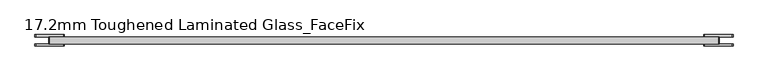
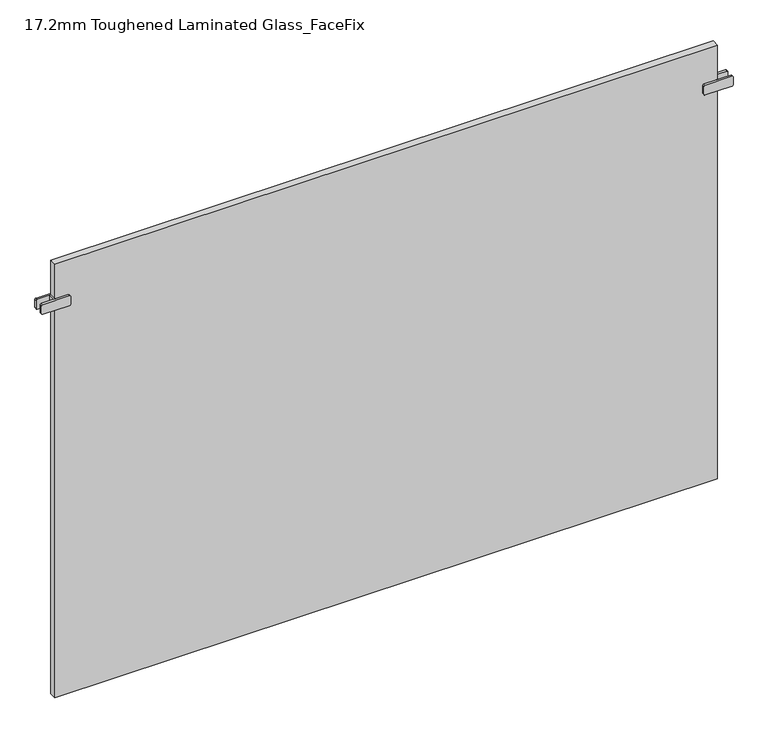
"""IFC4 building model written with IfcOpenShell, lengths in millimetres: plate geometry, 17.2mm Toughened Laminated Glass_FaceFix."""

from ifc_helpers import new_model, si_unit, point, frame, frame_2d, origin, origin_with_axes, place, context, project, spatial, polyline, circle_curve, trimmed, segment, composite_curve, outline, extrude, source, transform, mapped, element, save


def plate_17_2mm_toughened_laminated_glass_facefix_f9d593f6(model_context):
    return source(origin(), model_context, "Body", "SweptSolid", [
        extrude(outline(polyline([(-797.5000001, -40.6), (-797.5000001, -23.4), (-792.5000001, -23.4), (-792.5000001, -40.6), (-797.5000001, -40.6)])), frame((0.0, 0.0, 987.5), z_axis=(0.0, 0.0, 1.0), x_axis=(1.0, 0.0, 0.0)), (0.0, 0.0, 1.0), 25.0),
        extrude(outline(composite_curve([segment(trimmed(circle_curve(frame_2d((990.5, -763.0000001)), 3.0), [point((987.5, -763.0000001))], [point((990.5, -760.0000001))], False, "CARTESIAN"), True, "CONTINUOUS"), segment(polyline([(990.5, -760.0000001), (1009.5, -760.0000001)]), True, "CONTINUOUS"), segment(trimmed(circle_curve(frame_2d((1009.5, -763.0000001)), 3.0), [point((1009.5, -760.0000001))], [point((1012.5, -763.0000001))], False, "CARTESIAN"), True, "CONTINUOUS"), segment(polyline([(1012.5, -763.0000001), (1012.5, -827.0000001)]), True, "CONTINUOUS"), segment(trimmed(circle_curve(frame_2d((1009.5, -827.0000001)), 3.0), [point((1012.5, -827.0000001))], [point((1009.5, -830.0000001))], False, "CARTESIAN"), True, "CONTINUOUS"), segment(polyline([(1009.5, -830.0000001), (990.5, -830.0000001)]), True, "CONTINUOUS"), segment(trimmed(circle_curve(frame_2d((990.5, -827.0000001)), 3.0), [point((990.5, -830.0000001))], [point((987.5, -827.0000001))], False, "CARTESIAN"), True, "CONTINUOUS"), segment(polyline([(987.5, -827.0000001), (987.5, -763.0000001)]), True, "CONTINUOUS")], self_intersect=False)), frame((0.0, -23.4, 0.0), z_axis=(0.0, 1.0, 0.0), x_axis=(0.0, 0.0, 1.0)), (0.0, 0.0, 1.0), 5.0),
        extrude(outline(composite_curve([segment(trimmed(circle_curve(frame_2d((990.5, -763.0000001)), 3.0), [point((987.5, -763.0000001))], [point((990.5, -760.0000001))], False, "CARTESIAN"), True, "CONTINUOUS"), segment(polyline([(990.5, -760.0000001), (1009.5, -760.0000001)]), True, "CONTINUOUS"), segment(trimmed(circle_curve(frame_2d((1009.5, -763.0000001)), 3.0), [point((1009.5, -760.0000001))], [point((1012.5, -763.0000001))], False, "CARTESIAN"), True, "CONTINUOUS"), segment(polyline([(1012.5, -763.0000001), (1012.5, -827.0000001)]), True, "CONTINUOUS"), segment(trimmed(circle_curve(frame_2d((1009.5, -827.0000001)), 3.0), [point((1012.5, -827.0000001))], [point((1009.5, -830.0000001))], False, "CARTESIAN"), True, "CONTINUOUS"), segment(polyline([(1009.5, -830.0000001), (990.5, -830.0000001)]), True, "CONTINUOUS"), segment(trimmed(circle_curve(frame_2d((990.5, -827.0000001)), 3.0), [point((990.5, -830.0000001))], [point((987.5, -827.0000001))], False, "CARTESIAN"), True, "CONTINUOUS"), segment(polyline([(987.5, -827.0000001), (987.5, -763.0000001)]), True, "CONTINUOUS")], self_intersect=False)), frame((0.0, -45.6, 0.0), z_axis=(0.0, 1.0, 0.0), x_axis=(0.0, 0.0, 1.0)), (0.0, 0.0, 1.0), 5.0),
        extrude(outline(polyline([(797.5000001, -40.6), (792.5000001, -40.6), (792.5000001, -23.4), (797.5000001, -23.4), (797.5000001, -40.6)])), frame((0.0, 0.0, 987.5), z_axis=(0.0, 0.0, 1.0), x_axis=(1.0, 0.0, 0.0)), (0.0, 0.0, 1.0), 25.0),
        extrude(outline(composite_curve([segment(polyline([(987.5, 763.0000001), (987.5, 827.0000001)]), True, "CONTINUOUS"), segment(trimmed(circle_curve(frame_2d((990.5, 827.0000001)), 3.0), [point((987.5, 827.0000001))], [point((990.5, 830.0000001))], False, "CARTESIAN"), True, "CONTINUOUS"), segment(polyline([(990.5, 830.0000001), (1009.5, 830.0000001)]), True, "CONTINUOUS"), segment(trimmed(circle_curve(frame_2d((1009.5, 827.0000001)), 3.0), [point((1009.5, 830.0000001))], [point((1012.5, 827.0000001))], False, "CARTESIAN"), True, "CONTINUOUS"), segment(polyline([(1012.5, 827.0000001), (1012.5, 763.0000001)]), True, "CONTINUOUS"), segment(trimmed(circle_curve(frame_2d((1009.5, 763.0000001)), 3.0), [point((1012.5, 763.0000001))], [point((1009.5, 760.0000001))], False, "CARTESIAN"), True, "CONTINUOUS"), segment(polyline([(1009.5, 760.0000001), (990.5, 760.0000001)]), True, "CONTINUOUS"), segment(trimmed(circle_curve(frame_2d((990.5, 763.0000001)), 3.0), [point((990.5, 760.0000001))], [point((987.5, 763.0000001))], False, "CARTESIAN"), True, "CONTINUOUS")], self_intersect=False)), frame((0.0, -23.4, 0.0), z_axis=(0.0, 1.0, 0.0), x_axis=(0.0, 0.0, 1.0)), (0.0, 0.0, 1.0), 5.0),
        extrude(outline(composite_curve([segment(polyline([(987.5, 763.0000001), (987.5, 827.0000001)]), True, "CONTINUOUS"), segment(trimmed(circle_curve(frame_2d((990.5, 827.0000001)), 3.0), [point((987.5, 827.0000001))], [point((990.5, 830.0000001))], False, "CARTESIAN"), True, "CONTINUOUS"), segment(polyline([(990.5, 830.0000001), (1009.5, 830.0000001)]), True, "CONTINUOUS"), segment(trimmed(circle_curve(frame_2d((1009.5, 827.0000001)), 3.0), [point((1009.5, 830.0000001))], [point((1012.5, 827.0000001))], False, "CARTESIAN"), True, "CONTINUOUS"), segment(polyline([(1012.5, 827.0000001), (1012.5, 763.0000001)]), True, "CONTINUOUS"), segment(trimmed(circle_curve(frame_2d((1009.5, 763.0000001)), 3.0), [point((1012.5, 763.0000001))], [point((1009.5, 760.0000001))], False, "CARTESIAN"), True, "CONTINUOUS"), segment(polyline([(1009.5, 760.0000001), (990.5, 760.0000001)]), True, "CONTINUOUS"), segment(trimmed(circle_curve(frame_2d((990.5, 763.0000001)), 3.0), [point((990.5, 760.0000001))], [point((987.5, 763.0000001))], False, "CARTESIAN"), True, "CONTINUOUS")], self_intersect=False)), frame((0.0, -45.6, 0.0), z_axis=(0.0, 1.0, 0.0), x_axis=(0.0, 0.0, 1.0)), (0.0, 0.0, 1.0), 5.0),
        extrude(outline(polyline([(795.0000001, -23.4), (795.0000001, -40.6), (-795.0000001, -40.6), (-795.0000001, -23.4), (795.0000001, -23.4)])), origin_with_axes(), (0.0, 0.0, 1.0), 1100.0),
    ])


if __name__ == "__main__":
    model = new_model("IFC4")
    model_context = context("Model", 3, world=origin())
    ifc_project = project(units=[si_unit("LENGTHUNIT", "METRE", prefix="MILLI")], contexts=[model_context])
    site = spatial("IfcSite", under=ifc_project)
    building = spatial("IfcBuilding", under=site)
    placement = place(None, origin())
    plate_17_2mm_toughened_laminated_glass_facefix_shape = plate_17_2mm_toughened_laminated_glass_facefix_f9d593f6(model_context)
    element("IfcPlate", 1, ObjectType="17.2mm Toughened Laminated Glass_FaceFix", at=placement, inside=building, context=model_context, shape_type="MappedRepresentation", body=[
        mapped(plate_17_2mm_toughened_laminated_glass_facefix_shape, transform((0.0, 0.0, 0.0), x_axis=(1.0, 0.0, 0.0), y_axis=(0.0, 1.0, 0.0), z_axis=(0.0, 0.0, 1.0))),
    ])
    save(model, "model.ifc")
